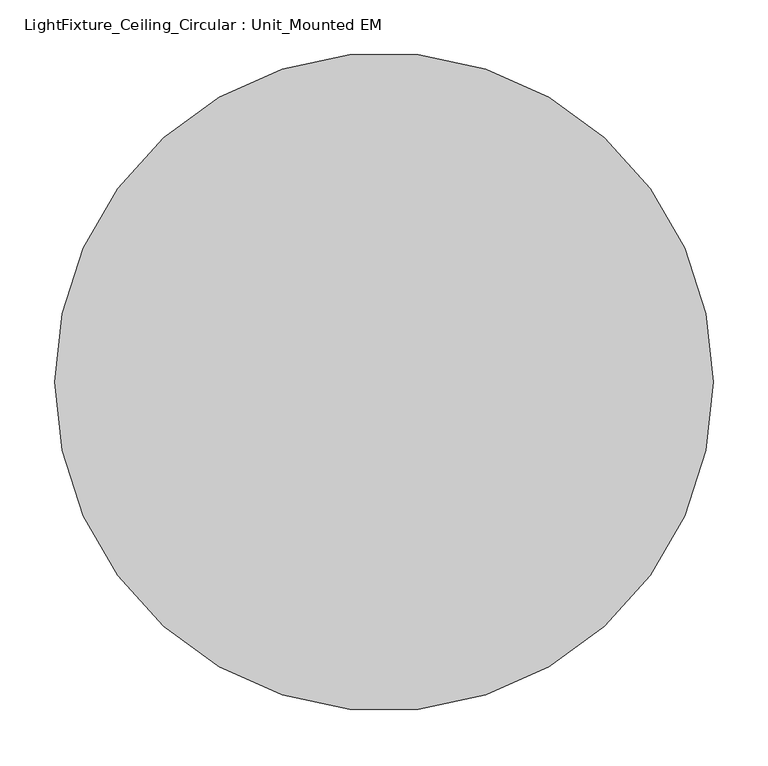
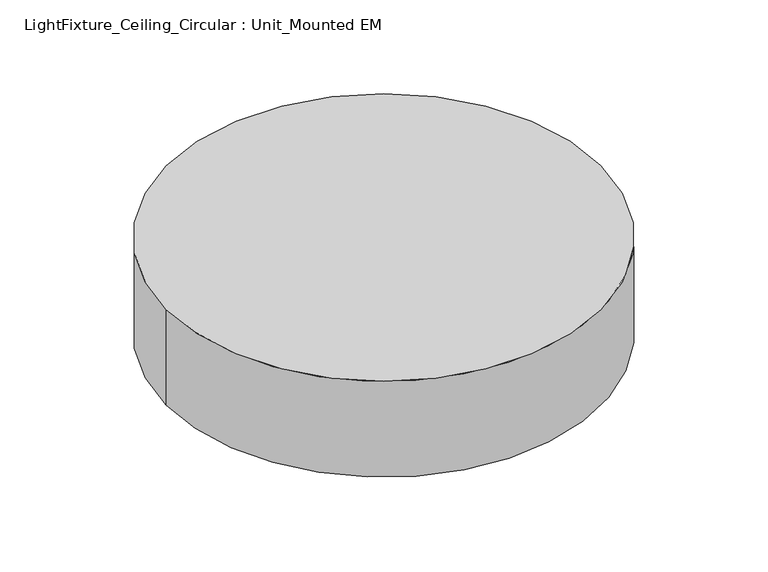
"""IFC4 building model written with IfcOpenShell, lengths in millimetres: light fixture geometry, LightFixture_Ceiling_Circular : Unit_Mounted EM."""

from ifc_helpers import new_model, si_unit, point, frame, origin, origin_2d, place, context, project, spatial, circle_curve, trimmed, segment, composite_curve, outline, extrude, source, transform, mapped, element, save


def lightfixture_ceiling_circular_unit_mounted_em_e68528b2(model_context):
    return source(origin(), model_context, "Body", "SweptSolid", [
        extrude(outline(composite_curve([segment(trimmed(circle_curve(origin_2d(), 300.0), [point((-300.0, 0.0))], [point((300.0, 0.0))], False, "CARTESIAN"), True, "CONTINUOUS"), segment(trimmed(circle_curve(origin_2d(), 300.0), [point((300.0, 0.0))], [point((-300.0, 0.0))], False, "CARTESIAN"), True, "CONTINUOUS")], self_intersect=False)), frame((0.0, 0.0, -140.0), z_axis=(0.0, 0.0, 1.0), x_axis=(1.0, 0.0, 0.0)), (0.0, 0.0, 1.0), 140.0),
    ])


if __name__ == "__main__":
    model = new_model("IFC4")
    model_context = context("Model", 3, world=origin())
    ifc_project = project(units=[si_unit("LENGTHUNIT", "METRE", prefix="MILLI")], contexts=[model_context])
    site = spatial("IfcSite", under=ifc_project)
    building = spatial("IfcBuilding", under=site)
    placement = place(None, origin())
    lightfixture_ceiling_circular_unit_mounted_em_shape = lightfixture_ceiling_circular_unit_mounted_em_e68528b2(model_context)
    element("IfcLightFixture", 1, ObjectType="LightFixture_Ceiling_Circular : Unit_Mounted EM", at=placement, inside=building, context=model_context, shape_type="MappedRepresentation", body=[
        mapped(lightfixture_ceiling_circular_unit_mounted_em_shape, transform((0.0, 0.0, 0.0), x_axis=(1.0, 0.0, 0.0), y_axis=(0.0, 1.0, 0.0), z_axis=(0.0, 0.0, 1.0))),
    ])
    save(model, "model.ifc")
